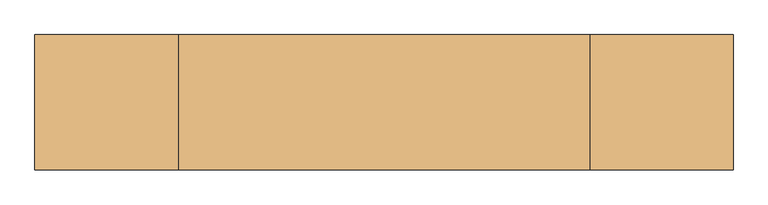
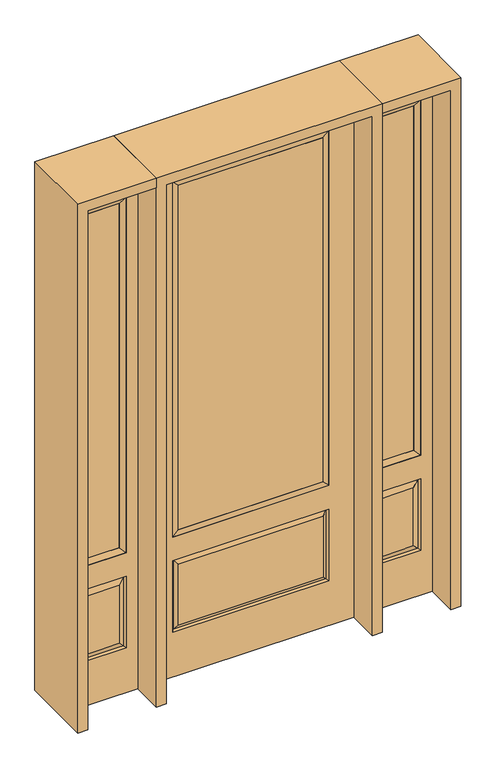
"""IFC4 building model written with IfcOpenShell, lengths in millimetres: door geometry."""

import ifcopenshell
import ifcopenshell.guid

model = None  # the IFC model being written
_history = None  # IfcOwnerHistory: only IFC2X3 demands one
_inside = {}  # id of a spatial element -> (the spatial element, [elements in it])
_under = {}  # id of a project, library or spatial element -> (it, [spatial elements below it])
_declared = {}  # id of a project -> (the project, [libraries it declares])
_typed = {}  # id of a type object -> (the type object, [elements of that type])
_made_of = {}  # id of a material, layer set ... -> (it, [elements and type objects made of it])


def new_model(schema):
    """Start an empty IFC model of exactly this schema.

    Asked for "IFC4X3", IfcOpenShell would pick the latest addendum, in which some entities
    have other attributes; the version numbers below select the first issue.
    IFC2X3 requires an IfcOwnerHistory on every rooted entity: one is made here for all.
    """
    global model, _history
    if schema == "IFC4X3":
        model = ifcopenshell.file(schema_version=(4, 3, 0, 0))
    else:
        model = ifcopenshell.file(schema=schema)
    _inside.clear()
    _under.clear()
    _declared.clear()
    _typed.clear()
    _made_of.clear()
    _history = None
    if model.schema == "IFC2X3":
        org = make("IfcOrganization", Name="unknown")
        user = make(
            "IfcPersonAndOrganization",
            ThePerson=make("IfcPerson", FamilyName="unknown"),
            TheOrganization=org,
        )
        app = make(
            "IfcApplication",
            ApplicationDeveloper=org,
            Version="unknown",
            ApplicationFullName="unknown",
            ApplicationIdentifier="unknown",
        )
        _history = make(
            "IfcOwnerHistory",
            OwningUser=user,
            OwningApplication=app,
            ChangeAction="ADDED",
            CreationDate=0,
        )
    return model


def make(cls, **values):
    """One entity of the class cls with the attributes given. An attribute that is None is left unset."""
    return model.create_entity(
        cls, **{name: value for name, value in values.items() if value is not None}
    )


def rooted(cls, **values):
    """An entity with a GlobalId (a new one), such as an element, a storey or a relation."""
    return make(cls, GlobalId=ifcopenshell.guid.new(), OwnerHistory=_history, **values)


def si_unit(unit_type, name, prefix=None):
    """IfcSIUnit, for example si_unit("LENGTHUNIT", "METRE", prefix="MILLI")."""
    return make("IfcSIUnit", UnitType=unit_type, Prefix=prefix, Name=name)


def assignment(units):
    """IfcUnitAssignment: the units of a project."""
    return None if units is None else make("IfcUnitAssignment", Units=units)


def point(xyz):
    """IfcCartesianPoint."""
    return None if xyz is None else make("IfcCartesianPoint", Coordinates=xyz)


def direction(xyz):
    """IfcDirection."""
    return None if xyz is None else make("IfcDirection", DirectionRatios=xyz)


def frame(location, z_axis=None, x_axis=None):
    """IfcAxis2Placement3D, a coordinate frame: its origin and axes. An axis left out is left unset."""
    return make(
        "IfcAxis2Placement3D",
        Location=point(location),
        Axis=direction(z_axis),
        RefDirection=direction(x_axis),
    )


def origin():
    """The frame at (0, 0, 0) with its axes left unset."""
    return frame((0.0, 0.0, 0.0))


def place(relative_to, where):
    """IfcLocalPlacement: puts the frame where relative to a parent placement (None: the world)."""
    return make(
        "IfcLocalPlacement", PlacementRelTo=relative_to, RelativePlacement=where
    )


def context(
    kind, dimensions, precision=None, world=None, true_north=None, identifier=None
):
    """IfcGeometricRepresentationContext, for example the 3D "Model" context."""
    return make(
        "IfcGeometricRepresentationContext",
        ContextIdentifier=identifier,
        ContextType=kind,
        CoordinateSpaceDimension=dimensions,
        Precision=precision,
        WorldCoordinateSystem=world,
        TrueNorth=true_north,
    )


def project(units=None, contexts=None):
    """IfcProject with its units and contexts."""
    return rooted(
        "IfcProject",
        Name="project",
        RepresentationContexts=contexts,
        UnitsInContext=assignment(units),
    )


def spatial(cls, under=None, at=None, **own):
    """A site, building, storey or space (cls), placed at a placement, below another one or the project."""
    s = rooted(cls, ObjectPlacement=at, **own)
    if under is not None:
        _under.setdefault(under.id(), (under, []))[1].append(s)
    return s


def polyline(points):
    """IfcPolyline through the points."""
    return make("IfcPolyline", Points=[point(p) for p in points])


def outline(outer, holes=None, kind="AREA"):
    """IfcArbitraryClosedProfileDef: a profile drawn as a closed curve; with holes, ...WithVoids."""
    if holes is None:
        return make("IfcArbitraryClosedProfileDef", ProfileType=kind, OuterCurve=outer)
    return make(
        "IfcArbitraryProfileDefWithVoids",
        ProfileType=kind,
        OuterCurve=outer,
        InnerCurves=holes,
    )


def extrude(swept, where, along, depth):
    """IfcExtrudedAreaSolid: the profile swept, set in the frame where, extruded along a direction by depth."""
    return make(
        "IfcExtrudedAreaSolid",
        SweptArea=swept,
        Position=where,
        ExtrudedDirection=direction(along),
        Depth=depth,
    )


def faces_of(points, faces, orient=None, outer=None):
    """IfcFace entities. A face is a list of loops; a loop is a list of indices into points, from 0.

    orient and outer hold one flag for each loop. By default every Orientation is true, the
    first loop of a face is its IfcFaceOuterBound and the others are IfcFaceBound.
    """
    made = []
    for i, loops in enumerate(faces):
        bounds = []
        for j, loop in enumerate(loops):
            is_outer = j == 0 if outer is None else outer[i][j]
            bounds.append(
                make(
                    "IfcFaceOuterBound" if is_outer else "IfcFaceBound",
                    Bound=make("IfcPolyLoop", Polygon=[points[k] for k in loop]),
                    Orientation=True if orient is None else orient[i][j],
                )
            )
        made.append(make("IfcFace", Bounds=bounds))
    return made


def faceted_brep(points, faces, orient=None, outer=None, voids=None):
    """IfcFacetedBrep: a solid bounded by flat faces; with voids (closed shells), ...WithVoids."""
    shared = [point(p) for p in points]
    hull = make("IfcClosedShell", CfsFaces=faces_of(shared, faces, orient, outer))
    if voids is None:
        return make("IfcFacetedBrep", Outer=hull)
    return make(
        "IfcFacetedBrepWithVoids",
        Outer=hull,
        Voids=[
            make(cls, CfsFaces=faces_of(shared, fs, o, b)) for cls, fs, o, b in voids
        ],
    )


def shape(context_of_items, identifier, shape_type, items):
    """IfcShapeRepresentation: the items that make up one representation, for example the "Body"."""
    return make(
        "IfcShapeRepresentation",
        ContextOfItems=context_of_items,
        RepresentationIdentifier=identifier,
        RepresentationType=shape_type,
        Items=items,
    )


def source(mapping_origin, context_of_items, identifier, shape_type, items):
    """IfcRepresentationMap: a shape defined once, which mapped items show again and again."""
    return make(
        "IfcRepresentationMap",
        MappingOrigin=mapping_origin,
        MappedRepresentation=shape(context_of_items, identifier, shape_type, items),
    )


def transform(
    local_origin,
    x_axis=None,
    y_axis=None,
    z_axis=None,
    scale=None,
    scale2=None,
    scale3=None,
    uniform=True,
):
    """IfcCartesianTransformationOperator3D, or its non-uniform kind. x_axis, y_axis, z_axis: its Axis1, 2, 3."""
    if uniform:
        return make(
            "IfcCartesianTransformationOperator3D",
            Axis1=direction(x_axis),
            Axis2=direction(y_axis),
            LocalOrigin=point(local_origin),
            Scale=scale,
            Axis3=direction(z_axis),
        )
    return make(
        "IfcCartesianTransformationOperator3DnonUniform",
        Axis1=direction(x_axis),
        Axis2=direction(y_axis),
        LocalOrigin=point(local_origin),
        Scale=scale,
        Axis3=direction(z_axis),
        Scale2=scale2,
        Scale3=scale3,
    )


def mapped(mapping_source, mapping_target):
    """IfcMappedItem: shows the shape of a source again, moved by a transform."""
    return make(
        "IfcMappedItem", MappingSource=mapping_source, MappingTarget=mapping_target
    )


def made_of(thing, what):
    """Note that an element or type object is made of a material, layer set ...; save() writes the relation."""
    if what is not None:
        _made_of.setdefault(what.id(), (what, []))[1].append(thing)
    return thing


def element(
    cls,
    number,
    at=None,
    inside=None,
    cuts=None,
    type_object=None,
    material=None,
    context=None,
    identifier="Body",
    shape_type=None,
    held_by="IfcProductDefinitionShape",
    body=None,
    shapes=None,
    **own,
):
    """One element of the class cls, such as IfcWall. Its Tag is "e" and its number.

    at: its placement. inside: the storey or other place that contains it. cuts: it is an
    opening in that element (IfcRelVoidsElement). A single representation is given by context,
    identifier, shape_type and body (its items); several are given by shapes. held_by: the class
    of the entity that holds the representations. save() writes the other relations.
    """
    e = rooted(cls, Tag="e%d" % number, ObjectPlacement=at, **own)
    if body is not None:
        shapes = [shape(context, identifier, shape_type, body)]
    if shapes is not None:
        e.Representation = make(held_by, Representations=shapes)
    if inside is not None:
        _inside.setdefault(inside.id(), (inside, []))[1].append(e)
    if cuts is not None:
        rooted(
            "IfcRelVoidsElement", RelatingBuildingElement=cuts, RelatedOpeningElement=e
        )
    if type_object is not None:
        _typed.setdefault(type_object.id(), (type_object, []))[1].append(e)
    return made_of(e, material)


def aggregate(whole, parts):
    """IfcRelAggregates: a whole, such as a stair, and the parts it consists of."""
    return rooted("IfcRelAggregates", RelatingObject=whole, RelatedObjects=parts)


def save(model, path):
    """Write the relations noted so far, then the file.

    IfcRelAggregates (storeys below a building ...), IfcRelContainedInSpatialStructure (elements
    in a storey), IfcRelDefinesByType, IfcRelAssociatesMaterial and IfcRelDeclares: one each for
    every whole, place, type object, material and project.
    """
    for whole, parts in _under.values():
        aggregate(whole, parts)
    for where, things in _inside.values():
        rooted(
            "IfcRelContainedInSpatialStructure",
            RelatedElements=things,
            RelatingStructure=where,
        )
    for kind, things in _typed.values():
        rooted("IfcRelDefinesByType", RelatedObjects=things, RelatingType=kind)
    for what, things in _made_of.values():
        rooted("IfcRelAssociatesMaterial", RelatedObjects=things, RelatingMaterial=what)
    for by, libraries in _declared.values():
        rooted("IfcRelDeclares", RelatingContext=by, RelatedDefinitions=libraries)
    model.write(path)


def door_9a72e73a(model_context):
    return source(origin(), model_context, "Body", "SolidModel", [
        faceted_brep([(501.65, -22.225, 0.0), (806.45, -22.225, 0.0), (806.45, -22.225, 2438.4), (501.65, -22.225, 2438.4), (754.38, -22.225, 2325.624), (754.38, -22.225, 657.098), (553.72, -22.225, 657.098), (553.72, -22.225, 2325.624), (754.38, -22.225, 209.55), (553.72, -22.225, 209.55), (553.72, -22.225, 546.1), (754.38, -22.225, 546.1), (585.4351001, -22.225, 241.2651001), (722.6648999, -22.225, 241.2651001), (722.6648999, -22.225, 514.3848999), (585.4351001, -22.225, 514.3848999), (501.65, 22.225, 0.0), (501.65, 22.225, 2438.4), (806.45, 22.225, 2438.4), (806.45, 22.225, 0.0), (754.38, 22.225, 2325.624), (553.72, 22.225, 2325.624), (553.72, 22.225, 657.098), (754.38, 22.225, 657.098), (553.72, 22.225, 209.55), (754.38, 22.225, 209.55), (754.38, 22.225, 546.1), (553.72, 22.225, 546.1), (722.6648999, 22.225, 241.2651001), (585.4351001, 22.225, 241.2651001), (585.4351001, 22.225, 514.3848999), (722.6648999, 22.225, 514.3848999), (747.2711499, 12.7912373, 216.6588501), (560.8288501, 12.7912373, 216.6588501), (560.8288501, 12.7912373, 538.9911499), (747.2711499, 12.7912373, 538.9911499), (560.8288501, -12.7912373, 216.6588501), (747.2711499, -12.7912373, 216.6588501), (560.8288501, -12.7912373, 538.9911499), (747.2711499, -12.7912373, 538.9911499)], [[[0, 1, 2, 3], [4, 5, 6, 7], [8, 9, 10, 11]], [[12, 13, 14, 15]], [[16, 17, 18, 19], [20, 21, 22, 23], [24, 25, 26, 27]], [[28, 29, 30, 31]], [[1, 0, 16, 19]], [[2, 1, 19, 18]], [[3, 2, 18, 17]], [[0, 3, 17, 16]], [[5, 4, 20, 23]], [[6, 5, 23, 22]], [[7, 6, 22, 21]], [[4, 7, 21, 20]], [[32, 33, 29, 28]], [[33, 32, 25, 24]], [[29, 33, 34, 30]], [[33, 24, 27, 34]], [[30, 34, 35, 31]], [[34, 27, 26, 35]], [[32, 28, 31, 35]], [[25, 32, 35, 26]], [[12, 36, 37, 13]], [[37, 36, 9, 8]], [[36, 12, 15, 38]], [[9, 36, 38, 10]], [[38, 15, 14, 39]], [[10, 38, 39, 11]], [[13, 37, 39, 14]], [[37, 8, 11, 39]]]),
        faceted_brep([(553.72, 22.225, 2325.624), (553.72, -22.225, 2325.624), (754.38, -22.225, 2325.624), (754.38, 22.225, 2325.624), (579.12, 12.7, 2300.224), (728.98, 12.7, 2300.224), (579.12, -12.7, 2300.224), (728.98, -12.7, 2300.224), (754.38, -22.225, 657.098), (754.38, 22.225, 657.098), (728.98, 12.7, 682.498), (728.98, -12.7, 682.498), (553.72, -22.225, 657.098), (553.72, 22.225, 657.098), (579.12, 12.7, 682.498), (579.12, -12.7, 682.498)], [[[0, 1, 2, 3]], [[4, 0, 3, 5]], [[6, 4, 5, 7]], [[1, 6, 7, 2]], [[3, 2, 8, 9]], [[5, 3, 9, 10]], [[7, 5, 10, 11]], [[2, 7, 11, 8]], [[9, 8, 12, 13]], [[10, 9, 13, 14]], [[11, 10, 14, 15]], [[8, 11, 15, 12]], [[13, 12, 1, 0]], [[14, 13, 0, 4]], [[15, 14, 4, 6]], [[12, 15, 6, 1]]]),
        extrude(outline(polyline([(728.98, -12.7), (579.12, -12.7), (579.12, 12.7), (728.98, 12.7), (728.98, -12.7)])), frame((0.0, 0.0, 682.498), z_axis=(0.0, 0.0, 1.0), x_axis=(1.0, 0.0, 0.0)), (0.0, 0.0, 1.0), 1617.726),
        faceted_brep([(-806.45, -22.225, 0.0), (-501.65, -22.225, 0.0), (-501.65, -22.225, 2438.4), (-806.45, -22.225, 2438.4), (-553.72, -22.225, 2325.624), (-553.72, -22.225, 657.098), (-754.38, -22.225, 657.098), (-754.38, -22.225, 2325.624), (-553.72, -22.225, 209.55), (-754.38, -22.225, 209.55), (-754.38, -22.225, 546.1), (-553.72, -22.225, 546.1), (-722.6648999, -22.225, 241.2651001), (-585.4351001, -22.225, 241.2651001), (-585.4351001, -22.225, 514.3848999), (-722.6648999, -22.225, 514.3848999), (-806.45, 22.225, 0.0), (-806.45, 22.225, 2438.4), (-501.65, 22.225, 2438.4), (-501.65, 22.225, 0.0), (-553.72, 22.225, 2325.624), (-754.38, 22.225, 2325.624), (-754.38, 22.225, 657.098), (-553.72, 22.225, 657.098), (-754.38, 22.225, 209.55), (-553.72, 22.225, 209.55), (-553.72, 22.225, 546.1), (-754.38, 22.225, 546.1), (-585.4351001, 22.225, 241.2651001), (-722.6648999, 22.225, 241.2651001), (-722.6648999, 22.225, 514.3848999), (-585.4351001, 22.225, 514.3848999), (-560.8288501, 12.7912373, 216.6588501), (-747.2711499, 12.7912373, 216.6588501), (-747.2711499, 12.7912373, 538.9911499), (-560.8288501, 12.7912373, 538.9911499), (-747.2711499, -12.7912373, 216.6588501), (-560.8288501, -12.7912373, 216.6588501), (-747.2711499, -12.7912373, 538.9911499), (-560.8288501, -12.7912373, 538.9911499)], [[[0, 1, 2, 3], [4, 5, 6, 7], [8, 9, 10, 11]], [[12, 13, 14, 15]], [[16, 17, 18, 19], [20, 21, 22, 23], [24, 25, 26, 27]], [[28, 29, 30, 31]], [[1, 0, 16, 19]], [[2, 1, 19, 18]], [[3, 2, 18, 17]], [[0, 3, 17, 16]], [[5, 4, 20, 23]], [[6, 5, 23, 22]], [[7, 6, 22, 21]], [[4, 7, 21, 20]], [[32, 33, 29, 28]], [[33, 32, 25, 24]], [[29, 33, 34, 30]], [[33, 24, 27, 34]], [[30, 34, 35, 31]], [[34, 27, 26, 35]], [[32, 28, 31, 35]], [[25, 32, 35, 26]], [[12, 36, 37, 13]], [[37, 36, 9, 8]], [[36, 12, 15, 38]], [[9, 36, 38, 10]], [[38, 15, 14, 39]], [[10, 38, 39, 11]], [[13, 37, 39, 14]], [[37, 8, 11, 39]]]),
        faceted_brep([(-754.38, 22.225, 2325.624), (-754.38, -22.225, 2325.624), (-553.72, -22.225, 2325.624), (-553.72, 22.225, 2325.624), (-728.98, 12.7, 2300.224), (-579.12, 12.7, 2300.224), (-728.98, -12.7, 2300.224), (-579.12, -12.7, 2300.224), (-553.72, -22.225, 657.098), (-553.72, 22.225, 657.098), (-579.12, 12.7, 682.498), (-579.12, -12.7, 682.498), (-754.38, -22.225, 657.098), (-754.38, 22.225, 657.098), (-728.98, 12.7, 682.498), (-728.98, -12.7, 682.498)], [[[0, 1, 2, 3]], [[4, 0, 3, 5]], [[6, 4, 5, 7]], [[1, 6, 7, 2]], [[3, 2, 8, 9]], [[5, 3, 9, 10]], [[7, 5, 10, 11]], [[2, 7, 11, 8]], [[9, 8, 12, 13]], [[10, 9, 13, 14]], [[11, 10, 14, 15]], [[8, 11, 15, 12]], [[13, 12, 1, 0]], [[14, 13, 0, 4]], [[15, 14, 4, 6]], [[12, 15, 6, 1]]]),
        extrude(outline(polyline([(-579.12, -12.7), (-728.98, -12.7), (-728.98, 12.7), (-579.12, 12.7), (-579.12, -12.7)])), frame((0.0, 0.0, 682.498), z_axis=(0.0, 0.0, 1.0), x_axis=(1.0, 0.0, 0.0)), (0.0, 0.0, 1.0), 1617.726),
        extrude(outline(polyline([(320.675, -20.32), (-320.675, -20.32), (-320.675, 5.08), (320.675, 5.08), (320.675, -20.32)])), frame((0.0, 0.0, 682.498), z_axis=(0.0, 0.0, 1.0), x_axis=(1.0, 0.0, 0.0)), (0.0, 0.0, 1.0), 1616.202),
        faceted_brep([(-338.9661499, -12.7912373, 216.6588501), (338.9661499, -12.7912373, 216.6588501), (321.46875, -22.225, 234.15625), (-321.46875, -22.225, 234.15625), (-346.075, -22.225, 209.55), (346.075, -22.225, 209.55), (-338.9661499, -12.7912373, 538.9911499), (-346.075, -22.225, 546.1), (321.46875, -22.225, 521.49375), (-321.46875, -22.225, 521.49375), (457.2, -22.225, 2438.4), (-457.2, -22.225, 2438.4), (-457.2, -22.225, 0.0), (457.2, -22.225, 0.0), (346.075, -22.225, 546.1), (346.075, -22.225, 2324.1), (346.075, -22.225, 657.098), (-346.075, -22.225, 657.098), (-346.075, -22.225, 2324.1), (338.9661499, -12.7912373, 538.9911499), (-457.2, 22.225, 2438.4), (-457.2, 22.225, 0.0), (457.2, 22.225, 0.0), (457.2, 22.225, 2438.4), (346.075, 22.225, 2324.1), (346.075, 22.225, 657.098), (-346.075, 22.225, 657.098), (-346.075, 22.225, 2324.1), (-346.075, 22.225, 209.55), (346.075, 22.225, 209.55), (346.075, 22.225, 546.1), (-346.075, 22.225, 546.1), (321.46875, 22.225, 234.15625), (-321.46875, 22.225, 234.15625), (-321.46875, 22.225, 521.49375), (321.46875, 22.225, 521.49375), (-338.9661499, 12.7912373, 216.6588501), (338.9661499, 12.7912373, 216.6588501), (338.9661499, 12.7912373, 538.9911499), (-338.9661499, 12.7912373, 538.9911499)], [[[0, 1, 2, 3]], [[1, 0, 4, 5]], [[4, 0, 6, 7]], [[3, 2, 8, 9]], [[10, 11, 12, 13], [5, 4, 7, 14], [15, 16, 17, 18]], [[1, 5, 14, 19]], [[2, 1, 19, 8]], [[0, 3, 9, 6]], [[7, 6, 19, 14]], [[6, 9, 8, 19]], [[12, 11, 20, 21]], [[13, 12, 21, 22]], [[10, 13, 22, 23]], [[16, 15, 24, 25]], [[17, 16, 25, 26]], [[18, 17, 26, 27]], [[23, 22, 21, 20], [28, 29, 30, 31], [24, 27, 26, 25]], [[32, 33, 34, 35]], [[28, 36, 37, 29]], [[29, 37, 38, 30]], [[39, 31, 30, 38]], [[36, 28, 31, 39]], [[37, 36, 33, 32]], [[33, 36, 39, 34]], [[34, 39, 38, 35]], [[37, 32, 35, 38]], [[11, 10, 23, 20]], [[15, 18, 27, 24]]]),
        faceted_brep([(-346.075, -22.225, 2324.1), (-346.075, 22.225, 2324.1), (-346.075, 22.225, 657.098), (-346.075, -22.225, 657.098), (346.075, 22.225, 657.098), (346.075, -22.225, 657.098), (-320.675, 5.08, 682.498), (320.675, 5.08, 682.498), (346.075, 22.225, 2324.1), (346.075, -22.225, 2324.1), (-320.675, -20.32, 682.498), (320.675, -20.32, 682.498), (-320.675, -20.32, 2298.7), (320.675, -20.32, 2298.7), (-320.675, 5.08, 2298.7), (320.675, 5.08, 2298.7)], [[[0, 1, 2, 3]], [[3, 2, 4, 5]], [[2, 6, 7, 4]], [[5, 4, 8, 9]], [[10, 3, 5, 11]], [[12, 0, 3, 10]], [[11, 5, 9, 13]], [[6, 10, 11, 7]], [[14, 12, 10, 6]], [[7, 11, 13, 15]], [[1, 14, 6, 2]], [[4, 7, 15, 8]], [[9, 8, 1, 0]], [[13, 9, 0, 12]], [[15, 13, 12, 14]], [[8, 15, 14, 1]]]),
        extrude(outline(polyline([(2438.4, -501.65), (2482.85, -501.65), (2482.85, -850.9), (0.0, -850.9), (0.0, -806.45), (2438.4, -806.45), (2438.4, -501.65)])), frame((0.0, -165.1, 0.0), z_axis=(0.0, 1.0, 0.0), x_axis=(0.0, 0.0, 1.0)), (0.0, 0.0, 1.0), 330.2),
        extrude(outline(polyline([(2482.85, -501.65), (0.0, -501.65), (0.0, -457.2), (2438.4, -457.2), (2438.4, 457.2), (0.0, 457.2), (0.0, 501.65), (2482.85, 501.65), (2482.85, -501.65)])), frame((0.0, -165.1, 0.0), z_axis=(0.0, 1.0, 0.0), x_axis=(0.0, 0.0, 1.0)), (0.0, 0.0, 1.0), 330.2),
        extrude(outline(polyline([(0.0, 806.45), (0.0, 850.9), (2482.85, 850.9), (2482.85, 501.65), (2438.4, 501.65), (2438.4, 806.45), (0.0, 806.45)])), frame((0.0, -165.1, 0.0), z_axis=(0.0, 1.0, 0.0), x_axis=(0.0, 0.0, 1.0)), (0.0, 0.0, 1.0), 330.2),
    ])


if __name__ == "__main__":
    model = new_model("IFC4")
    model_context = context("Model", 3, world=origin())
    ifc_project = project(units=[si_unit("LENGTHUNIT", "METRE", prefix="MILLI")], contexts=[model_context])
    site = spatial("IfcSite", under=ifc_project)
    building = spatial("IfcBuilding", under=site)
    placement = place(None, origin())
    door_shape = door_9a72e73a(model_context)
    element("IfcDoor", 1, at=placement, inside=building, context=model_context, shape_type="MappedRepresentation", body=[
        mapped(door_shape, transform((0.0, 0.0, 0.0), x_axis=(1.0, 0.0, 0.0), y_axis=(0.0, 1.0, 0.0), z_axis=(0.0, 0.0, 1.0))),
    ])
    save(model, "model.ifc")
